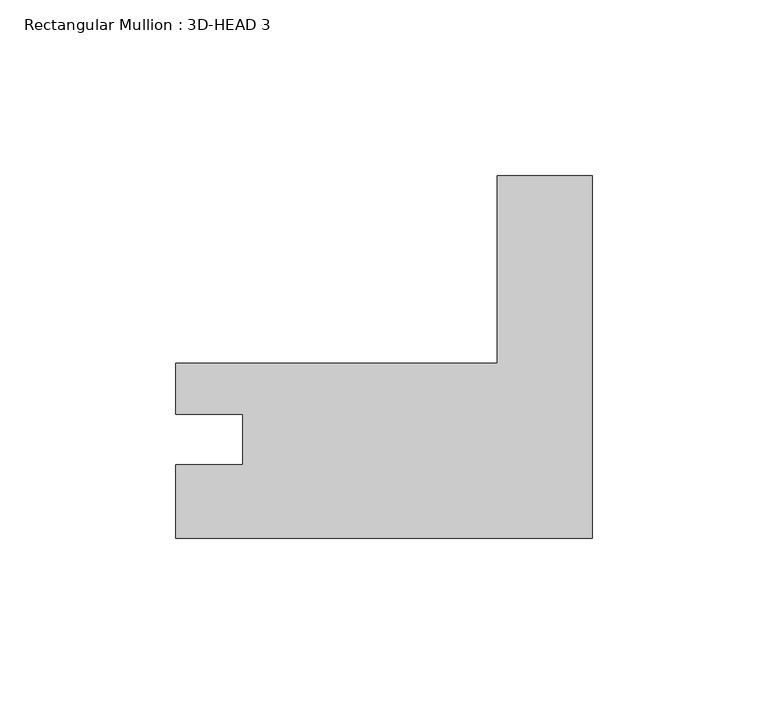
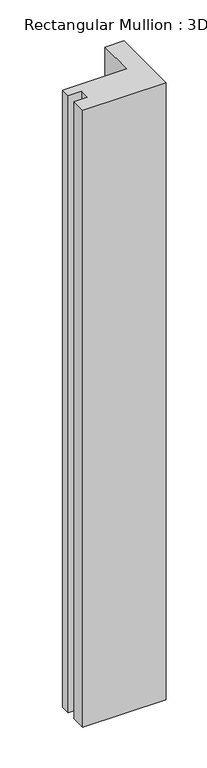
"""IFC4 building model written with IfcOpenShell, lengths in millimetres: member geometry, Rectangular Mullion : 3D-HEAD 3."""

import ifcopenshell
import ifcopenshell.guid

model = None  # the IFC model being written
_history = None  # IfcOwnerHistory: only IFC2X3 demands one
_inside = {}  # id of a spatial element -> (the spatial element, [elements in it])
_under = {}  # id of a project, library or spatial element -> (it, [spatial elements below it])
_declared = {}  # id of a project -> (the project, [libraries it declares])
_typed = {}  # id of a type object -> (the type object, [elements of that type])
_made_of = {}  # id of a material, layer set ... -> (it, [elements and type objects made of it])


def new_model(schema):
    """Start an empty IFC model of exactly this schema.

    Asked for "IFC4X3", IfcOpenShell would pick the latest addendum, in which some entities
    have other attributes; the version numbers below select the first issue.
    IFC2X3 requires an IfcOwnerHistory on every rooted entity: one is made here for all.
    """
    global model, _history
    if schema == "IFC4X3":
        model = ifcopenshell.file(schema_version=(4, 3, 0, 0))
    else:
        model = ifcopenshell.file(schema=schema)
    _inside.clear()
    _under.clear()
    _declared.clear()
    _typed.clear()
    _made_of.clear()
    _history = None
    if model.schema == "IFC2X3":
        org = make("IfcOrganization", Name="unknown")
        user = make(
            "IfcPersonAndOrganization",
            ThePerson=make("IfcPerson", FamilyName="unknown"),
            TheOrganization=org,
        )
        app = make(
            "IfcApplication",
            ApplicationDeveloper=org,
            Version="unknown",
            ApplicationFullName="unknown",
            ApplicationIdentifier="unknown",
        )
        _history = make(
            "IfcOwnerHistory",
            OwningUser=user,
            OwningApplication=app,
            ChangeAction="ADDED",
            CreationDate=0,
        )
    return model


def make(cls, **values):
    """One entity of the class cls with the attributes given. An attribute that is None is left unset."""
    return model.create_entity(
        cls, **{name: value for name, value in values.items() if value is not None}
    )


def rooted(cls, **values):
    """An entity with a GlobalId (a new one), such as an element, a storey or a relation."""
    return make(cls, GlobalId=ifcopenshell.guid.new(), OwnerHistory=_history, **values)


def si_unit(unit_type, name, prefix=None):
    """IfcSIUnit, for example si_unit("LENGTHUNIT", "METRE", prefix="MILLI")."""
    return make("IfcSIUnit", UnitType=unit_type, Prefix=prefix, Name=name)


def assignment(units):
    """IfcUnitAssignment: the units of a project."""
    return None if units is None else make("IfcUnitAssignment", Units=units)


def point(xyz):
    """IfcCartesianPoint."""
    return None if xyz is None else make("IfcCartesianPoint", Coordinates=xyz)


def direction(xyz):
    """IfcDirection."""
    return None if xyz is None else make("IfcDirection", DirectionRatios=xyz)


def frame(location, z_axis=None, x_axis=None):
    """IfcAxis2Placement3D, a coordinate frame: its origin and axes. An axis left out is left unset."""
    return make(
        "IfcAxis2Placement3D",
        Location=point(location),
        Axis=direction(z_axis),
        RefDirection=direction(x_axis),
    )


def origin():
    """The frame at (0, 0, 0) with its axes left unset."""
    return frame((0.0, 0.0, 0.0))


def place(relative_to, where):
    """IfcLocalPlacement: puts the frame where relative to a parent placement (None: the world)."""
    return make(
        "IfcLocalPlacement", PlacementRelTo=relative_to, RelativePlacement=where
    )


def context(
    kind, dimensions, precision=None, world=None, true_north=None, identifier=None
):
    """IfcGeometricRepresentationContext, for example the 3D "Model" context."""
    return make(
        "IfcGeometricRepresentationContext",
        ContextIdentifier=identifier,
        ContextType=kind,
        CoordinateSpaceDimension=dimensions,
        Precision=precision,
        WorldCoordinateSystem=world,
        TrueNorth=true_north,
    )


def project(units=None, contexts=None):
    """IfcProject with its units and contexts."""
    return rooted(
        "IfcProject",
        Name="project",
        RepresentationContexts=contexts,
        UnitsInContext=assignment(units),
    )


def spatial(cls, under=None, at=None, **own):
    """A site, building, storey or space (cls), placed at a placement, below another one or the project."""
    s = rooted(cls, ObjectPlacement=at, **own)
    if under is not None:
        _under.setdefault(under.id(), (under, []))[1].append(s)
    return s


def polyline(points):
    """IfcPolyline through the points."""
    return make("IfcPolyline", Points=[point(p) for p in points])


def outline(outer, holes=None, kind="AREA"):
    """IfcArbitraryClosedProfileDef: a profile drawn as a closed curve; with holes, ...WithVoids."""
    if holes is None:
        return make("IfcArbitraryClosedProfileDef", ProfileType=kind, OuterCurve=outer)
    return make(
        "IfcArbitraryProfileDefWithVoids",
        ProfileType=kind,
        OuterCurve=outer,
        InnerCurves=holes,
    )


def extrude(swept, where, along, depth):
    """IfcExtrudedAreaSolid: the profile swept, set in the frame where, extruded along a direction by depth."""
    return make(
        "IfcExtrudedAreaSolid",
        SweptArea=swept,
        Position=where,
        ExtrudedDirection=direction(along),
        Depth=depth,
    )


def shape(context_of_items, identifier, shape_type, items):
    """IfcShapeRepresentation: the items that make up one representation, for example the "Body"."""
    return make(
        "IfcShapeRepresentation",
        ContextOfItems=context_of_items,
        RepresentationIdentifier=identifier,
        RepresentationType=shape_type,
        Items=items,
    )


def source(mapping_origin, context_of_items, identifier, shape_type, items):
    """IfcRepresentationMap: a shape defined once, which mapped items show again and again."""
    return make(
        "IfcRepresentationMap",
        MappingOrigin=mapping_origin,
        MappedRepresentation=shape(context_of_items, identifier, shape_type, items),
    )


def transform(
    local_origin,
    x_axis=None,
    y_axis=None,
    z_axis=None,
    scale=None,
    scale2=None,
    scale3=None,
    uniform=True,
):
    """IfcCartesianTransformationOperator3D, or its non-uniform kind. x_axis, y_axis, z_axis: its Axis1, 2, 3."""
    if uniform:
        return make(
            "IfcCartesianTransformationOperator3D",
            Axis1=direction(x_axis),
            Axis2=direction(y_axis),
            LocalOrigin=point(local_origin),
            Scale=scale,
            Axis3=direction(z_axis),
        )
    return make(
        "IfcCartesianTransformationOperator3DnonUniform",
        Axis1=direction(x_axis),
        Axis2=direction(y_axis),
        LocalOrigin=point(local_origin),
        Scale=scale,
        Axis3=direction(z_axis),
        Scale2=scale2,
        Scale3=scale3,
    )


def mapped(mapping_source, mapping_target):
    """IfcMappedItem: shows the shape of a source again, moved by a transform."""
    return make(
        "IfcMappedItem", MappingSource=mapping_source, MappingTarget=mapping_target
    )


def made_of(thing, what):
    """Note that an element or type object is made of a material, layer set ...; save() writes the relation."""
    if what is not None:
        _made_of.setdefault(what.id(), (what, []))[1].append(thing)
    return thing


def element(
    cls,
    number,
    at=None,
    inside=None,
    cuts=None,
    type_object=None,
    material=None,
    context=None,
    identifier="Body",
    shape_type=None,
    held_by="IfcProductDefinitionShape",
    body=None,
    shapes=None,
    **own,
):
    """One element of the class cls, such as IfcWall. Its Tag is "e" and its number.

    at: its placement. inside: the storey or other place that contains it. cuts: it is an
    opening in that element (IfcRelVoidsElement). A single representation is given by context,
    identifier, shape_type and body (its items); several are given by shapes. held_by: the class
    of the entity that holds the representations. save() writes the other relations.
    """
    e = rooted(cls, Tag="e%d" % number, ObjectPlacement=at, **own)
    if body is not None:
        shapes = [shape(context, identifier, shape_type, body)]
    if shapes is not None:
        e.Representation = make(held_by, Representations=shapes)
    if inside is not None:
        _inside.setdefault(inside.id(), (inside, []))[1].append(e)
    if cuts is not None:
        rooted(
            "IfcRelVoidsElement", RelatingBuildingElement=cuts, RelatedOpeningElement=e
        )
    if type_object is not None:
        _typed.setdefault(type_object.id(), (type_object, []))[1].append(e)
    return made_of(e, material)


def aggregate(whole, parts):
    """IfcRelAggregates: a whole, such as a stair, and the parts it consists of."""
    return rooted("IfcRelAggregates", RelatingObject=whole, RelatedObjects=parts)


def save(model, path):
    """Write the relations noted so far, then the file.

    IfcRelAggregates (storeys below a building ...), IfcRelContainedInSpatialStructure (elements
    in a storey), IfcRelDefinesByType, IfcRelAssociatesMaterial and IfcRelDeclares: one each for
    every whole, place, type object, material and project.
    """
    for whole, parts in _under.values():
        aggregate(whole, parts)
    for where, things in _inside.values():
        rooted(
            "IfcRelContainedInSpatialStructure",
            RelatedElements=things,
            RelatingStructure=where,
        )
    for kind, things in _typed.values():
        rooted("IfcRelDefinesByType", RelatedObjects=things, RelatingType=kind)
    for what, things in _made_of.values():
        rooted("IfcRelAssociatesMaterial", RelatedObjects=things, RelatingMaterial=what)
    for by, libraries in _declared.values():
        rooted("IfcRelDeclares", RelatingContext=by, RelatedDefinitions=libraries)
    model.write(path)


def rectangular_mullion_3d_head_3_f380dc7b(model_context):
    return source(origin(), model_context, "Body", "SweptSolid", [
        extrude(outline(polyline([(-118.2687503, -60.7815148), (-118.2687503, -39.9027082), (-99.2441515, -39.9027082), (-99.2441515, -25.5898148), (-118.2687515, -25.5898148), (-118.2687515, -10.9975148), (-26.9748, -10.9975148), (-26.9748, 42.1980229), (0.0, 42.1980229), (0.0, -60.7815148), (-118.2687503, -60.7815148)])), frame((0.0, 0.0, -923.0558883), z_axis=(0.0, 0.0, 1.0), x_axis=(1.0, 0.0, 0.0)), (0.0, 0.0, 1.0), 923.0558883),
    ])


if __name__ == "__main__":
    model = new_model("IFC4")
    model_context = context("Model", 3, world=origin())
    ifc_project = project(units=[si_unit("LENGTHUNIT", "METRE", prefix="MILLI")], contexts=[model_context])
    site = spatial("IfcSite", under=ifc_project)
    building = spatial("IfcBuilding", under=site)
    placement = place(None, origin())
    rectangular_mullion_3d_head_3_shape = rectangular_mullion_3d_head_3_f380dc7b(model_context)
    element("IfcMember", 1, ObjectType="Rectangular Mullion : 3D-HEAD 3", at=placement, inside=building, context=model_context, shape_type="MappedRepresentation", body=[
        mapped(rectangular_mullion_3d_head_3_shape, transform((0.0, 0.0, 0.0), x_axis=(1.0, 0.0, 0.0), y_axis=(0.0, 1.0, 0.0), z_axis=(0.0, 0.0, 1.0))),
    ])
    save(model, "model.ifc")
